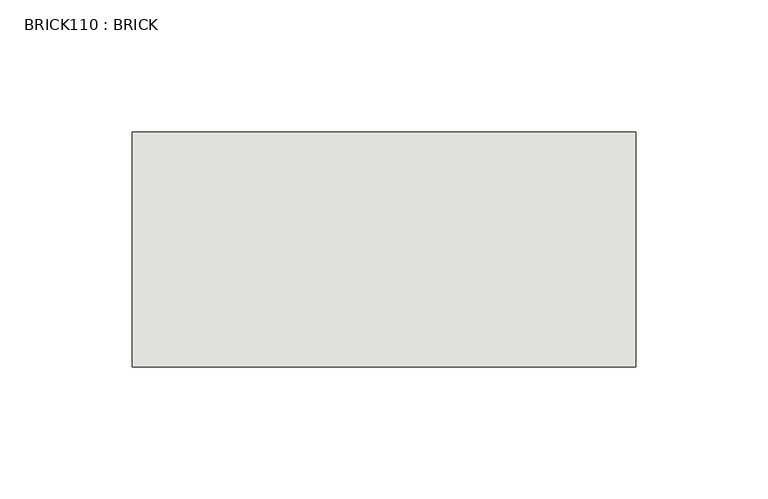
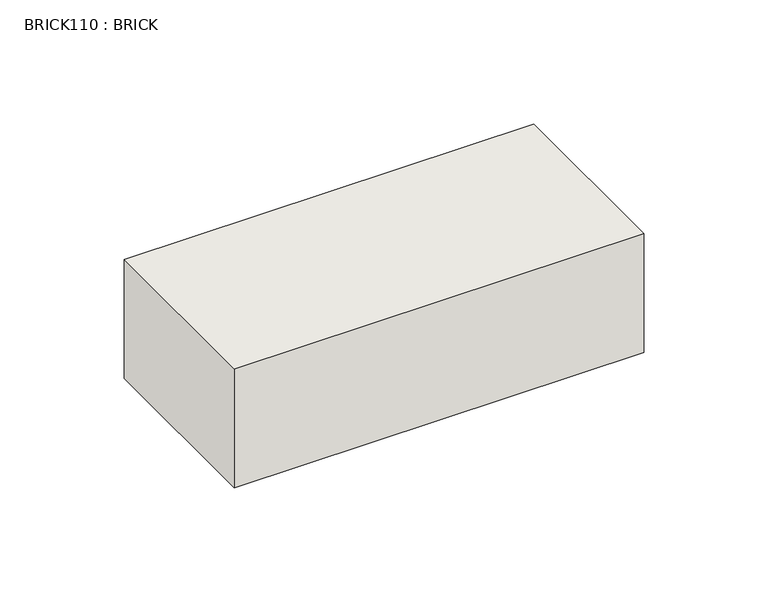
"""IFC4 building model written with IfcOpenShell, lengths in millimetres: wall geometry, BRICK110 : BRICK."""

from ifc_helpers import new_model, si_unit, frame, origin, place, context, project, spatial, polyline, outline, extrude, source, transform, mapped, element, save


def brick110_brick_0e4ca687(model_context):
    return source(origin(), model_context, "Body", "SweptSolid", [
        extrude(outline(polyline([(935.3272594, 2586.2274125), (1125.8272594, 2586.2274125), (1125.8272594, 2497.3274125), (935.3272594, 2497.3274125), (935.3272594, 2586.2274125)])), frame((0.0, 0.0, 283.5671875), z_axis=(0.0, 0.0, 1.0), x_axis=(1.0, 0.0, 0.0)), (0.0, 0.0, 1.0), 58.4398438),
    ])


if __name__ == "__main__":
    model = new_model("IFC4")
    model_context = context("Model", 3, world=origin())
    ifc_project = project(units=[si_unit("LENGTHUNIT", "METRE", prefix="MILLI")], contexts=[model_context])
    site = spatial("IfcSite", under=ifc_project)
    building = spatial("IfcBuilding", under=site)
    placement = place(None, origin())
    brick110_brick_shape = brick110_brick_0e4ca687(model_context)
    element("IfcWall", 1, ObjectType="BRICK110 : BRICK", at=placement, inside=building, context=model_context, shape_type="MappedRepresentation", body=[
        mapped(brick110_brick_shape, transform((0.0, 0.0, 0.0), x_axis=(1.0, 0.0, 0.0), y_axis=(0.0, 1.0, 0.0), z_axis=(0.0, 0.0, 1.0))),
    ])
    save(model, "model.ifc")
